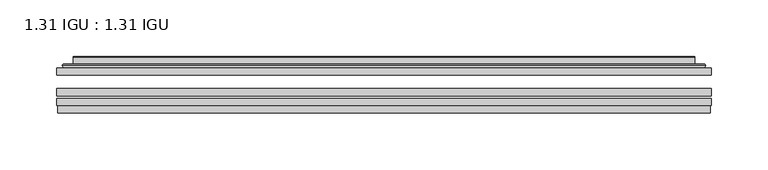
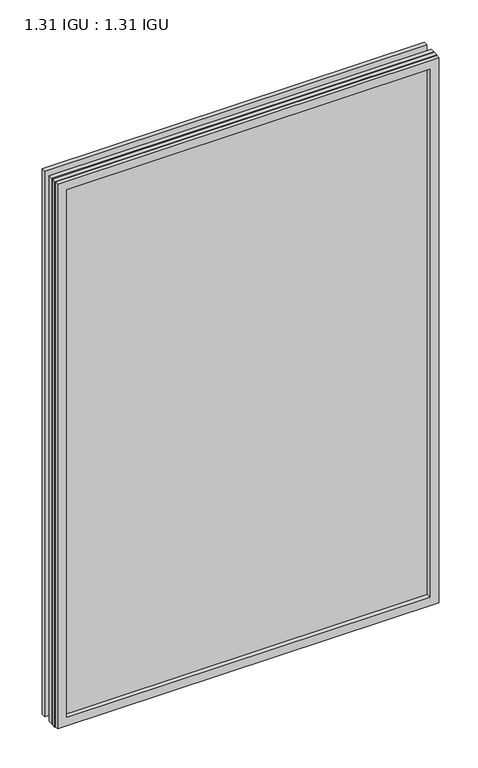
"""IFC4 building model written with IfcOpenShell, lengths in millimetres: plate geometry, 1.31 IGU : 1.31 IGU."""

from ifc_helpers import new_model, si_unit, frame, origin, place, context, project, spatial, polyline, ellipse_curve, outline, extrude, faceted_brep, source, transform, mapped, element, save
from ifc_brep_helpers import plane_surface, cylinder_surface, advanced_brep


def plate_1_31_igu_1_31_igu_534ee50f(model_context):
    return source(origin(), model_context, "Body", "SolidModel", [
        extrude(outline(polyline([(287.351675, -63.59525), (287.351675, -69.94525), (-287.3375, -69.94525), (-287.3375, -63.59525), (287.351675, -63.59525)])), frame((0.0, 0.0, -14.2875), z_axis=(0.0, 0.0, 1.0), x_axis=(1.0, 0.0, 0.0)), (0.0, 0.0, 1.0), 866.7787979),
        extrude(outline(polyline([(-287.3375, -78.58125), (-287.3375, -72.230745), (287.351675, -72.230745), (287.351675, -78.58125), (-287.3375, -78.58125)])), frame((0.0, 0.0, -14.2875), z_axis=(0.0, 0.0, 1.0), x_axis=(1.0, 0.0, 0.0)), (0.0, 0.0, 1.0), 866.7787979),
        extrude(outline(polyline([(287.351675, -45.25645), (287.351675, -51.60645), (-287.3375, -51.60645), (-287.3375, -45.25645), (287.351675, -45.25645)])), frame((0.0, 0.0, -14.2875), z_axis=(0.0, 0.0, 1.0), x_axis=(1.0, 0.0, 0.0)), (0.0, 0.0, 1.0), 866.7787979),
        faceted_brep([(-286.6373142, -84.93125, 851.7873142), (-286.6373142, -78.58125, 851.7873142), (-286.6373142, -78.58125, -13.5873142), (-286.6373142, -84.93125, -13.5873142), (286.6373142, -78.58125, -13.5873142), (286.6373142, -84.93125, -13.5873142), (286.6373142, -78.58125, 851.7873142), (286.6373142, -84.93125, 851.7873142), (-272.1522559, -78.58125, 0.8977441), (272.1522559, -78.58125, 0.8977441), (272.1522559, -78.58125, 837.3022559), (-272.1522559, -78.58125, 837.3022559), (-273.0446902, -84.93125, 838.1946902), (273.0446902, -84.93125, 838.1946902), (273.0446902, -84.93125, 0.0053098), (-273.0446902, -84.93125, 0.0053098)], [[[0, 1, 2, 3]], [[3, 2, 4, 5]], [[5, 4, 6, 7]], [[1, 6, 4, 2], [8, 9, 10, 11]], [[7, 6, 1, 0]], [[3, 5, 7, 0], [12, 13, 14, 15]], [[11, 12, 15, 8]], [[8, 15, 14, 9]], [[9, 14, 13, 10]], [[10, 13, 12, 11]]]),
        advanced_brep(
        [(-280.096219, -45.25645, 845.246219), (-282.4504244, -43.2667833, 847.6004244), (-282.4504244, -43.2667833, -9.4004244), (-280.096219, -45.25645, -7.046219), (-271.0218939, -41.416413, 836.1718939), (-266.0870621, -45.25645, 831.2370621), (-266.0870621, -45.25645, 6.9629379), (-271.0218939, -41.416413, 2.0281061), (-272.0539217, -36.0191819, 837.2039217), (-272.0539217, -36.0191819, 0.9960783), (-273.0445784, -35.6202069, 838.1945784), (-273.0445784, -35.6202069, 0.0054216), (-273.0445784, -42.08145, 838.1945784), (-273.0445784, -42.08145, 0.0054216), (-281.4486349, -42.08145, 846.5986349), (-281.4486349, -42.08145, -8.3986349), (282.4504244, -43.2667833, -9.4004244), (280.096219, -45.25645, -7.046219), (266.0870621, -45.25645, 6.9629379), (271.0218939, -41.416413, 2.0281061), (272.0539217, -36.0191819, 0.9960783), (273.0445784, -35.6202069, 0.0054216), (273.0445784, -42.08145, 0.0054216), (281.4486349, -42.08145, -8.3986349), (282.4504244, -43.2667833, 847.6004244), (280.096219, -45.25645, 845.246219), (266.0870621, -45.25645, 831.2370621), (271.0218939, -41.416413, 836.1718939), (272.0539217, -36.0191819, 837.2039217), (273.0445784, -35.6202069, 838.1945784), (273.0445784, -42.08145, 838.1945784), (281.4486349, -42.08145, 846.5986349)],
        [
            (0, 1, ellipse_curve(frame((-280.096219, -42.86885, 845.246219), z_axis=(-0.7071067811865475, 0.0, -0.7071067811865475), x_axis=(-0.7071067811865474, 0.0, 0.7071067811865476)), 3.3765763, 2.3876)),
            (1, 2),
            (2, 3, ellipse_curve(frame((-280.096219, -42.86885, -7.046219), z_axis=(-0.7071067811865475, 0.0, 0.7071067811865475), x_axis=(0.7071067811865474, 0.0, 0.7071067811865476)), 3.3765763, 2.3876)),
            (3, 0),
            (4, 5),
            (5, 6),
            (6, 7),
            (7, 4),
            (8, 4),
            (7, 9),
            (9, 8),
            (10, 8, ellipse_curve(frame((-272.6776219, -36.1384423, 837.8276219), z_axis=(-0.7071067811865475, 0.0, -0.7071067811865475), x_axis=(-0.7071067811865474, 0.0, 0.7071067811865476)), 0.8980256, 0.635)),
            (9, 11, ellipse_curve(frame((-272.6776219, -36.1384423, 0.3723781), z_axis=(-0.7071067811865475, 0.0, 0.7071067811865475), x_axis=(0.7071067811865474, 0.0, 0.7071067811865476)), 0.8980256, 0.635)),
            (11, 10),
            (12, 10),
            (11, 13),
            (13, 12),
            (1, 14, ellipse_curve(frame((-281.4486349, -43.09745, 846.5986349), z_axis=(-0.7071067811865475, 0.0, -0.7071067811865475), x_axis=(-0.7071067811865474, 0.0, 0.7071067811865476)), 1.436841, 1.016)),
            (14, 15),
            (15, 2, ellipse_curve(frame((-281.4486349, -43.09745, -8.3986349), z_axis=(-0.7071067811865475, 0.0, 0.7071067811865475), x_axis=(0.7071067811865474, 0.0, 0.7071067811865476)), 1.436841, 1.016)),
            (2, 16),
            (16, 17, ellipse_curve(frame((280.096219, -42.86885, -7.046219), z_axis=(-0.7071067811865475, 0.0, -0.7071067811865475), x_axis=(-0.7071067811865476, 0.0, 0.7071067811865474)), 3.3765763, 2.3876)),
            (17, 3),
            (6, 18),
            (18, 19),
            (19, 7),
            (19, 20),
            (20, 9),
            (20, 21, ellipse_curve(frame((272.6776219, -36.1384423, 0.3723781), z_axis=(-0.7071067811865475, 0.0, -0.7071067811865475), x_axis=(-0.7071067811865476, 0.0, 0.7071067811865474)), 0.8980256, 0.635)),
            (21, 11),
            (21, 22),
            (22, 13),
            (15, 23),
            (23, 16, ellipse_curve(frame((281.4486349, -43.09745, -8.3986349), z_axis=(-0.7071067811865475, 0.0, -0.7071067811865475), x_axis=(-0.7071067811865476, 0.0, 0.7071067811865474)), 1.436841, 1.016)),
            (16, 24),
            (24, 25, ellipse_curve(frame((280.096219, -42.86885, 845.246219), z_axis=(0.7071067811865475, 0.0, -0.7071067811865475), x_axis=(-0.7071067811865474, 0.0, -0.7071067811865476)), 3.3765763, 2.3876)),
            (25, 17),
            (18, 26),
            (26, 27),
            (27, 19),
            (27, 28),
            (28, 20),
            (28, 29, ellipse_curve(frame((272.6776219, -36.1384423, 837.8276219), z_axis=(0.7071067811865475, 0.0, -0.7071067811865475), x_axis=(-0.7071067811865474, 0.0, -0.7071067811865476)), 0.8980256, 0.635)),
            (29, 21),
            (29, 30),
            (30, 22),
            (23, 31),
            (31, 24, ellipse_curve(frame((281.4486349, -43.09745, 846.5986349), z_axis=(0.7071067811865475, 0.0, -0.7071067811865475), x_axis=(-0.7071067811865474, 0.0, -0.7071067811865476)), 1.436841, 1.016)),
            (24, 1),
            (0, 25),
            (5, 26),
            (4, 27),
            (8, 28),
            (10, 29),
            (12, 30),
            (14, 31),
        ],
        [
            cylinder_surface(frame((-280.096219, -42.86885, 869.95), z_axis=(0.0, 0.0, 1.0), x_axis=(-1.0, 0.0, 0.0)), 2.3876),
            plane_surface(frame((-266.0870621, -45.25645, 831.2370621), z_axis=(0.6141233906514794, 0.7892100234124821, 0.0), x_axis=(0.0, 0.0, -1.0))),
            plane_surface(frame((-271.0218939, -41.416413, 836.1718939), z_axis=(0.9822050625507729, 0.18781164793386076, 0.0), x_axis=(0.0, 0.0, -1.0))),
            cylinder_surface(frame((-272.6776219, -36.1384423, 869.95), z_axis=(0.0, 0.0, 1.0), x_axis=(-1.0, 0.0, 0.0)), 0.635),
            plane_surface(frame((-273.0445784, -35.6202069, 838.1945784), z_axis=(-1.0, 0.0, 0.0), x_axis=(0.0, 0.0, -1.0))),
            cylinder_surface(frame((-281.4486349, -43.09745, 869.95), z_axis=(0.0, 0.0, 1.0), x_axis=(-1.0, 0.0, 0.0)), 1.016),
            cylinder_surface(frame((-304.8, -42.86885, -7.046219), z_axis=(-1.0, 0.0, 0.0), x_axis=(0.0, 0.0, -1.0)), 2.3876),
            plane_surface(frame((-266.0870621, -45.25645, 6.9629379), z_axis=(0.0, 0.7892100234124841, 0.6141233906514768), x_axis=(1.0, 0.0, 0.0))),
            plane_surface(frame((-271.0218939, -41.416413, 2.0281061), z_axis=(0.0, 0.18781164793386393, 0.9822050625507723), x_axis=(1.0, 0.0, 0.0))),
            cylinder_surface(frame((-304.8, -36.1384423, 0.3723781), z_axis=(-1.0, 0.0, 0.0), x_axis=(0.0, 0.0, -1.0)), 0.635),
            plane_surface(frame((-273.0445784, -35.6202069, 0.0054216), z_axis=(0.0, 0.0, -1.0), x_axis=(1.0, 0.0, 0.0))),
            cylinder_surface(frame((-304.8, -43.09745, -8.3986349), z_axis=(-1.0, 0.0, 0.0), x_axis=(0.0, 0.0, -1.0)), 1.016),
            cylinder_surface(frame((280.096219, -42.86885, -31.75), z_axis=(0.0, 0.0, -1.0), x_axis=(1.0, 0.0, 0.0)), 2.3876),
            plane_surface(frame((266.0870621, -45.25645, 6.9629379), z_axis=(-0.6141233906514743, 0.7892100234124861, 0.0), x_axis=(0.0, 0.0, 1.0))),
            plane_surface(frame((271.0218939, -41.416413, 2.0281061), z_axis=(-0.9822050625507718, 0.1878116479338671, 0.0), x_axis=(0.0, 0.0, 1.0))),
            cylinder_surface(frame((272.6776219, -36.1384423, -31.75), z_axis=(0.0, 0.0, -1.0), x_axis=(1.0, 0.0, 0.0)), 0.635),
            plane_surface(frame((273.0445784, -35.6202069, 0.0054216), z_axis=(1.0, 0.0, 0.0), x_axis=(0.0, 0.0, 1.0))),
            cylinder_surface(frame((281.4486349, -43.09745, -31.75), z_axis=(0.0, 0.0, -1.0), x_axis=(1.0, 0.0, 0.0)), 1.016),
            cylinder_surface(frame((304.8, -42.86885, 845.246219), z_axis=(1.0, 0.0, 0.0), x_axis=(0.0, 0.0, 1.0)), 2.3876),
            plane_surface(frame((280.096219, -45.25645, 845.246219), z_axis=(0.0, -1.0, 0.0), x_axis=(-1.0, 0.0, 0.0))),
            plane_surface(frame((266.0870621, -45.25645, 831.2370621), z_axis=(0.0, 0.7892100234124841, -0.6141233906514768), x_axis=(-1.0, 0.0, 0.0))),
            plane_surface(frame((271.0218939, -41.416413, 836.1718939), z_axis=(0.0, 0.18781164793386393, -0.9822050625507723), x_axis=(-1.0, 0.0, 0.0))),
            cylinder_surface(frame((304.8, -36.1384423, 837.8276219), z_axis=(1.0, 0.0, 0.0), x_axis=(0.0, 0.0, 1.0)), 0.635),
            plane_surface(frame((273.0445784, -35.6202069, 838.1945784), z_axis=(0.0, 0.0, 1.0), x_axis=(-1.0, 0.0, 0.0))),
            plane_surface(frame((273.0445784, -42.08145, 838.1945784), z_axis=(0.0, 1.0, 0.0), x_axis=(-1.0, 0.0, 0.0))),
            cylinder_surface(frame((304.8, -43.09745, 846.5986349), z_axis=(1.0, 0.0, 0.0), x_axis=(0.0, 0.0, 1.0)), 1.016),
        ],
        [
            (0, [[1, 2, 3, 4]]),
            (1, [[5, 6, 7, 8]]),
            (2, [[9, -8, 10, 11]]),
            (3, [[12, -11, 13, 14]]),
            (4, [[15, -14, 16, 17]]),
            (5, [[18, 19, 20, -2]]),
            (6, [[-3, 21, 22, 23]]),
            (7, [[-7, 24, 25, 26]]),
            (8, [[-10, -26, 27, 28]]),
            (9, [[-13, -28, 29, 30]]),
            (10, [[-16, -30, 31, 32]]),
            (11, [[-20, 33, 34, -21]]),
            (12, [[-22, 35, 36, 37]]),
            (13, [[-25, 38, 39, 40]]),
            (14, [[-27, -40, 41, 42]]),
            (15, [[-29, -42, 43, 44]]),
            (16, [[-31, -44, 45, 46]]),
            (17, [[-34, 47, 48, -35]]),
            (18, [[-36, 49, -1, 50]]),
            (19, [[-23, -37, -50, -4], [51, -38, -24, -6]]),
            (20, [[-39, -51, -5, 52]]),
            (21, [[-41, -52, -9, 53]]),
            (22, [[-43, -53, -12, 54]]),
            (23, [[-45, -54, -15, 55]]),
            (24, [[56, -47, -33, -19], [-32, -46, -55, -17]]),
            (25, [[-48, -56, -18, -49]]),
        ],
    ),
    ])


if __name__ == "__main__":
    model = new_model("IFC4")
    model_context = context("Model", 3, world=origin())
    ifc_project = project(units=[si_unit("LENGTHUNIT", "METRE", prefix="MILLI")], contexts=[model_context])
    site = spatial("IfcSite", under=ifc_project)
    building = spatial("IfcBuilding", under=site)
    placement = place(None, origin())
    plate_1_31_igu_1_31_igu_shape = plate_1_31_igu_1_31_igu_534ee50f(model_context)
    element("IfcPlate", 1, ObjectType="1.31 IGU : 1.31 IGU", at=placement, inside=building, context=model_context, shape_type="MappedRepresentation", body=[
        mapped(plate_1_31_igu_1_31_igu_shape, transform((0.0, 0.0, 0.0), x_axis=(1.0, 0.0, 0.0), y_axis=(0.0, 1.0, 0.0), z_axis=(0.0, 0.0, 1.0))),
    ])
    save(model, "model.ifc")
